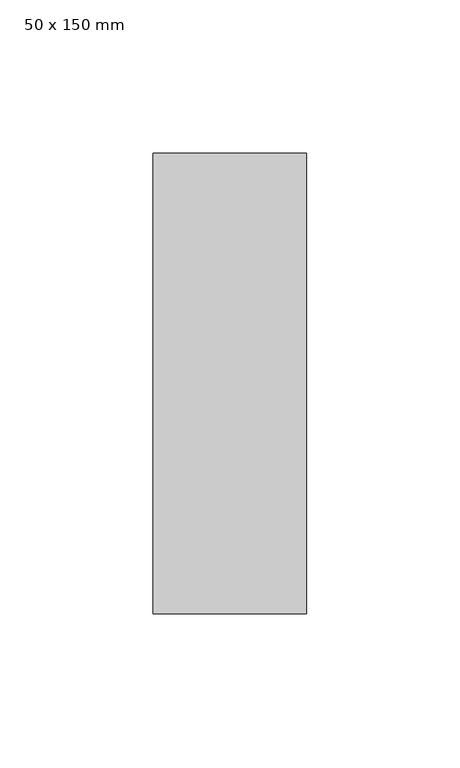
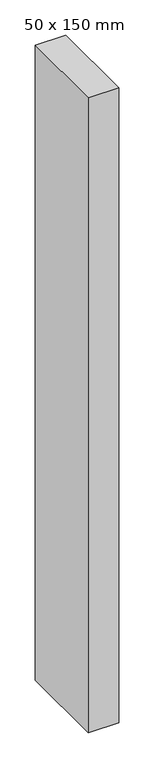
"""IFC4 building model written with IfcOpenShell, lengths in millimetres: member geometry, 50 x 150 mm."""

from ifc_helpers import new_model, si_unit, frame, origin, place, context, project, spatial, polyline, outline, extrude, source, transform, mapped, element, save


def member_50_x_150_mm_0b7842ad(model_context):
    return source(origin(), model_context, "Body", "SweptSolid", [
        extrude(outline(polyline([(25.0, 75.0), (25.0, -75.0), (-25.0, -75.0), (-25.0, 75.0), (25.0, 75.0)])), frame((0.0, 0.0, -1100.0), z_axis=(0.0, 0.0, 1.0), x_axis=(1.0, 0.0, 0.0)), (0.0, 0.0, 1.0), 1100.0),
    ])


if __name__ == "__main__":
    model = new_model("IFC4")
    model_context = context("Model", 3, world=origin())
    ifc_project = project(units=[si_unit("LENGTHUNIT", "METRE", prefix="MILLI")], contexts=[model_context])
    site = spatial("IfcSite", under=ifc_project)
    building = spatial("IfcBuilding", under=site)
    placement = place(None, origin())
    member_50_x_150_mm_shape = member_50_x_150_mm_0b7842ad(model_context)
    element("IfcMember", 1, ObjectType="50 x 150 mm", at=placement, inside=building, context=model_context, shape_type="MappedRepresentation", body=[
        mapped(member_50_x_150_mm_shape, transform((0.0, 0.0, 0.0), x_axis=(1.0, 0.0, 0.0), y_axis=(0.0, 1.0, 0.0), z_axis=(0.0, 0.0, 1.0))),
    ])
    save(model, "model.ifc")
